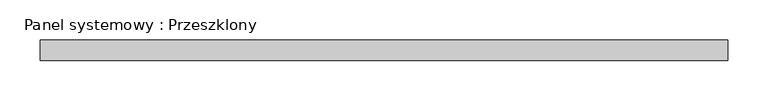
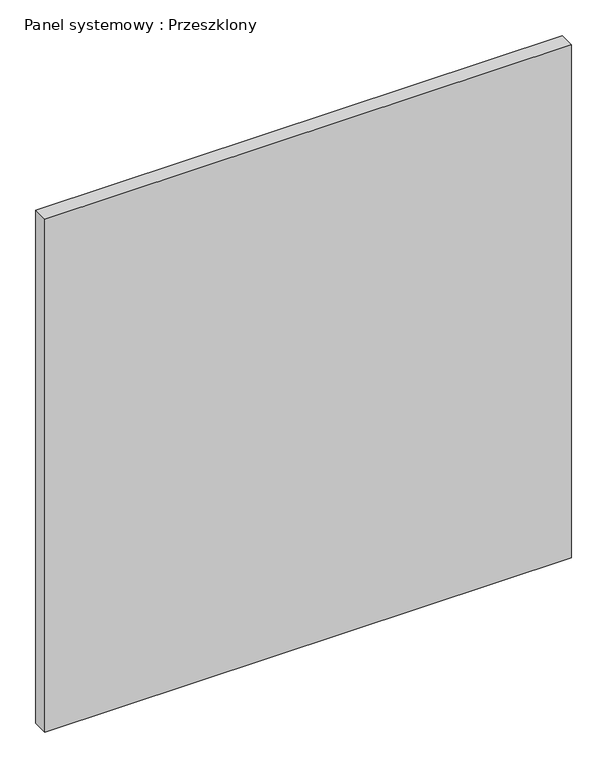
"""IFC4 building model written with IfcOpenShell, lengths in millimetres: plate geometry, Panel systemowy : Przeszklony."""

from ifc_helpers import new_model, si_unit, origin, origin_with_axes, place, context, project, spatial, polyline, outline, extrude, source, transform, mapped, element, save


def panel_systemowy_przeszklony_09c5aebd(model_context):
    return source(origin(), model_context, "Body", "SweptSolid", [
        extrude(outline(polyline([(425.0, 24.5), (-425.0, 24.5), (-425.0, 49.5), (425.0, 49.5), (425.0, 24.5)])), origin_with_axes(), (0.0, 0.0, 1.0), 875.0),
    ])


if __name__ == "__main__":
    model = new_model("IFC4")
    model_context = context("Model", 3, world=origin())
    ifc_project = project(units=[si_unit("LENGTHUNIT", "METRE", prefix="MILLI")], contexts=[model_context])
    site = spatial("IfcSite", under=ifc_project)
    building = spatial("IfcBuilding", under=site)
    placement = place(None, origin())
    panel_systemowy_przeszklony_shape = panel_systemowy_przeszklony_09c5aebd(model_context)
    element("IfcPlate", 1, ObjectType="Panel systemowy : Przeszklony", at=placement, inside=building, context=model_context, shape_type="MappedRepresentation", body=[
        mapped(panel_systemowy_przeszklony_shape, transform((0.0, 0.0, 0.0), x_axis=(1.0, 0.0, 0.0), y_axis=(0.0, 1.0, 0.0), z_axis=(0.0, 0.0, 1.0))),
    ])
    save(model, "model.ifc")
